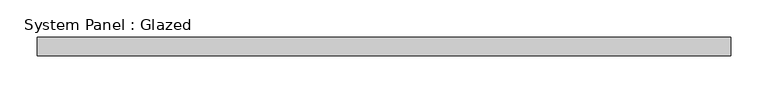
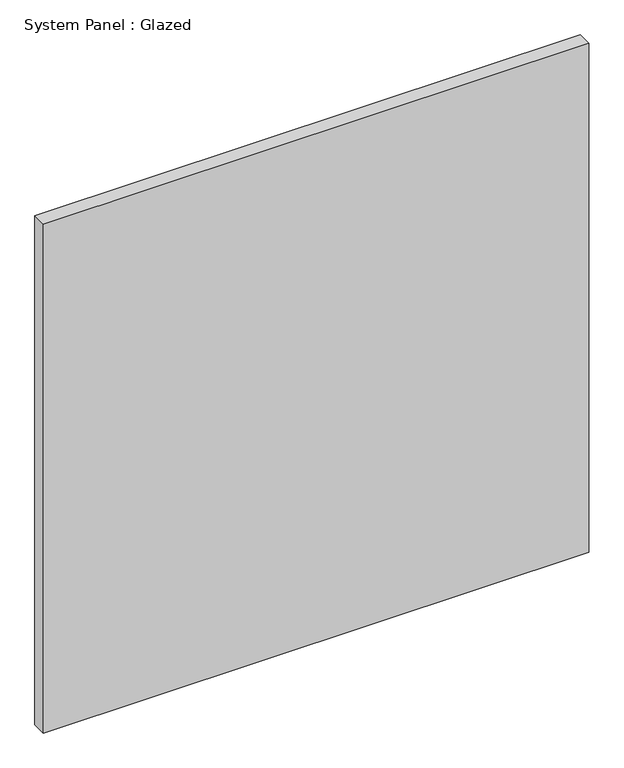
"""IFC4 building model written with IfcOpenShell, lengths in millimetres: plate geometry, System Panel : Glazed."""

from ifc_helpers import new_model, si_unit, origin, origin_with_axes, place, context, project, spatial, polyline, outline, extrude, source, transform, mapped, element, save


def system_panel_glazed_7ab59932(model_context):
    return source(origin(), model_context, "Body", "SweptSolid", [
        extrude(outline(polyline([(468.4851368, 19.05), (-468.4851368, 19.05), (-468.4851368, 44.45), (468.4851368, 44.45), (468.4851368, 19.05)])), origin_with_axes(), (0.0, 0.0, 1.0), 924.3541399),
    ])


if __name__ == "__main__":
    model = new_model("IFC4")
    model_context = context("Model", 3, world=origin())
    ifc_project = project(units=[si_unit("LENGTHUNIT", "METRE", prefix="MILLI")], contexts=[model_context])
    site = spatial("IfcSite", under=ifc_project)
    building = spatial("IfcBuilding", under=site)
    placement = place(None, origin())
    system_panel_glazed_shape = system_panel_glazed_7ab59932(model_context)
    element("IfcPlate", 1, ObjectType="System Panel : Glazed", at=placement, inside=building, context=model_context, shape_type="MappedRepresentation", body=[
        mapped(system_panel_glazed_shape, transform((0.0, 0.0, 0.0), x_axis=(1.0, 0.0, 0.0), y_axis=(0.0, 1.0, 0.0), z_axis=(0.0, 0.0, 1.0))),
    ])
    save(model, "model.ifc")
